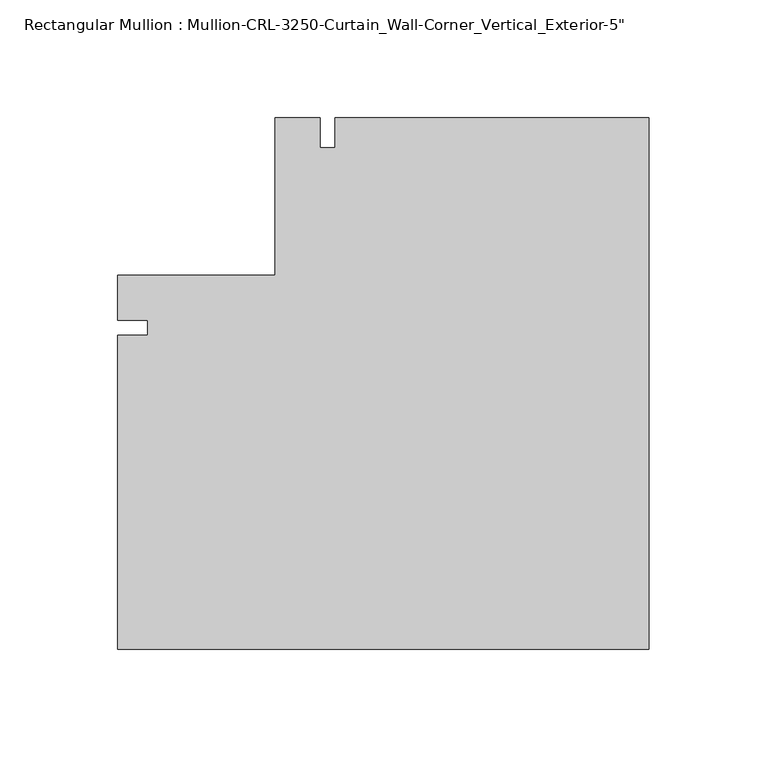
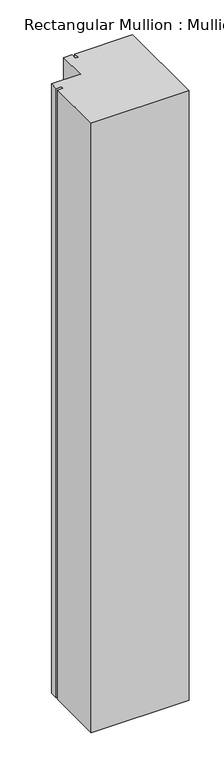
"""IFC4 building model written with IfcOpenShell, lengths in millimetres: member geometry."""

from ifc_helpers import new_model, si_unit, frame, origin, place, context, project, spatial, polyline, outline, extrude, source, transform, mapped, element, save


def member_9d0281e4(model_context):
    return source(origin(), model_context, "Body", "SweptSolid", [
        extrude(outline(polyline([(0.0, -136.5246929), (-225.4238258, -136.5246929), (-225.4238258, -3.175), (-212.7238258, -3.175), (-212.7238258, 3.175), (-225.4238258, 3.175), (-225.4238258, 22.2253288), (-158.7494885, 22.2253288), (-158.7494885, 88.899997), (-139.699596, 88.899997), (-139.699596, 76.2084061), (-133.349596, 76.2084061), (-133.349596, 88.899997), (0.0, 88.899997), (0.0, -136.5246929)])), frame((0.0, 0.0, -1485.9), z_axis=(0.0, 0.0, 1.0), x_axis=(1.0, 0.0, 0.0)), (0.0, 0.0, 1.0), 1485.9),
    ])


if __name__ == "__main__":
    model = new_model("IFC4")
    model_context = context("Model", 3, world=origin())
    ifc_project = project(units=[si_unit("LENGTHUNIT", "METRE", prefix="MILLI")], contexts=[model_context])
    site = spatial("IfcSite", under=ifc_project)
    building = spatial("IfcBuilding", under=site)
    placement = place(None, origin())
    member_shape = member_9d0281e4(model_context)
    element("IfcMember", 1, ObjectType="Rectangular Mullion : Mullion-CRL-3250-Curtain_Wall-Corner_Vertical_Exterior-5\"", at=placement, inside=building, context=model_context, shape_type="MappedRepresentation", body=[
        mapped(member_shape, transform((0.0, 0.0, 0.0), x_axis=(1.0, 0.0, 0.0), y_axis=(0.0, 1.0, 0.0), z_axis=(0.0, 0.0, 1.0))),
    ])
    save(model, "model.ifc")
